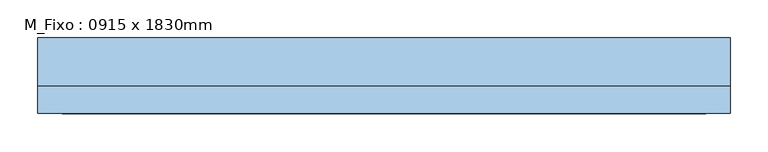
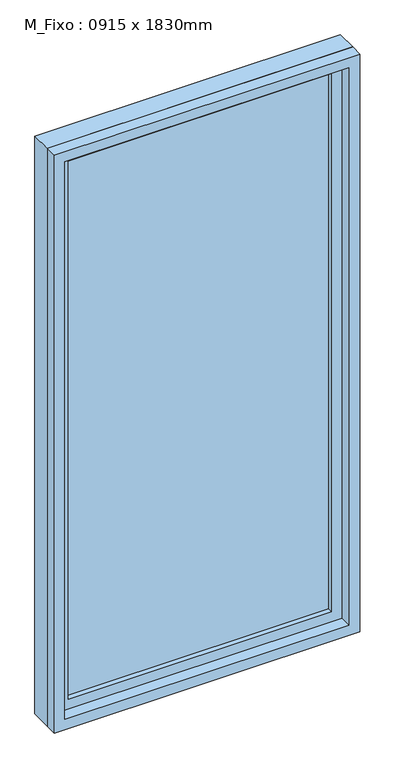
"""IFC4 building model written with IfcOpenShell, lengths in millimetres: window geometry, M_Fixo : 0915 x 1830mm."""

from ifc_helpers import new_model, si_unit, frame, origin, place, context, project, spatial, polyline, outline, extrude, source, transform, mapped, element, save


def m_fixo_0915_x_1830mm_b04a562b(model_context):
    return source(origin(), model_context, "Body", "SweptSolid", [
        extrude(outline(polyline([(-394.5, 28.0), (394.5, 28.0), (394.5, 16.0), (-394.5, 16.0), (-394.5, 28.0)])), frame((0.0, 0.0, 368.0), z_axis=(0.0, 0.0, 1.0), x_axis=(1.0, 0.0, 0.0)), (0.0, 0.0, 1.0), 1704.0),
        extrude(outline(polyline([(2116.0, -438.5), (324.0, -438.5), (324.0, 438.5), (2116.0, 438.5), (2116.0, -438.5)]), holes=[polyline([(2072.0, -394.5), (2072.0, 394.5), (368.0, 394.5), (368.0, -394.5), (2072.0, -394.5)])]), frame((0.0, 0.0, 0.0), z_axis=(0.0, 1.0, 0.0), x_axis=(0.0, 0.0, 1.0)), (0.0, 0.0, 1.0), 44.0),
        extrude(outline(polyline([(2135.0, -457.5), (305.0, -457.5), (305.0, 457.5), (2135.0, 457.5), (2135.0, -457.5)]), holes=[polyline([(2116.0, -438.5), (2116.0, 438.5), (324.0, 438.5), (324.0, -438.5), (2116.0, -438.5)])]), frame((0.0, 0.0, 0.0), z_axis=(0.0, 1.0, 0.0), x_axis=(0.0, 0.0, 1.0)), (0.0, 0.0, 1.0), 63.0),
        extrude(outline(polyline([(2135.0, -457.5), (305.0, -457.5), (305.0, 457.5), (2135.0, 457.5), (2135.0, -457.5)]), holes=[polyline([(2103.0, -425.5), (2103.0, 425.5), (337.0, 425.5), (337.0, -425.5), (2103.0, -425.5)])]), frame((0.0, -37.0, 0.0), z_axis=(0.0, 1.0, 0.0), x_axis=(0.0, 0.0, 1.0)), (0.0, 0.0, 1.0), 37.0),
    ])


if __name__ == "__main__":
    model = new_model("IFC4")
    model_context = context("Model", 3, world=origin())
    ifc_project = project(units=[si_unit("LENGTHUNIT", "METRE", prefix="MILLI")], contexts=[model_context])
    site = spatial("IfcSite", under=ifc_project)
    building = spatial("IfcBuilding", under=site)
    placement = place(None, origin())
    m_fixo_0915_x_1830mm_shape = m_fixo_0915_x_1830mm_b04a562b(model_context)
    element("IfcWindow", 1, ObjectType="M_Fixo : 0915 x 1830mm", at=placement, inside=building, context=model_context, shape_type="MappedRepresentation", body=[
        mapped(m_fixo_0915_x_1830mm_shape, transform((0.0, 0.0, 0.0), x_axis=(1.0, 0.0, 0.0), y_axis=(0.0, 1.0, 0.0), z_axis=(0.0, 0.0, 1.0))),
    ])
    save(model, "model.ifc")
